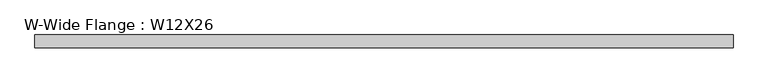
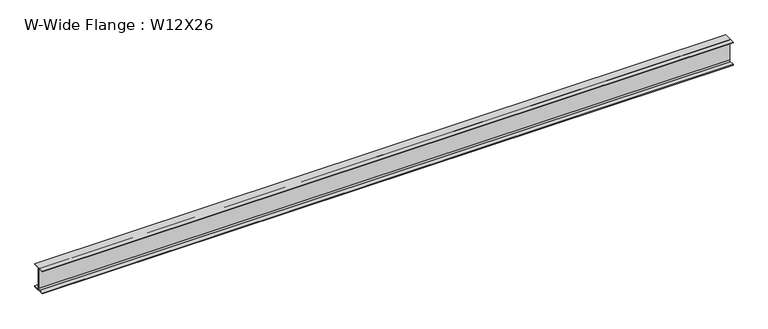
"""IFC4 building model written with IfcOpenShell, lengths in millimetres: beam geometry, W-Wide Flange : W12X26."""

from ifc_helpers import new_model, si_unit, point, frame, frame_2d, origin, place, context, project, spatial, polyline, circle_curve, trimmed, segment, composite_curve, outline, extrude, source, transform, mapped, element, save


def w_wide_flange_w12x26_b47f01a9(model_context):
    return source(origin(), model_context, "Body", "SweptSolid", [
        extrude(outline(composite_curve([segment(polyline([(82.4011719, -145.5539063), (82.4011719, -155.178125), (-82.4011719, -155.178125), (-82.4011719, -145.5539063), (-20.2902344, -145.5539063)]), True, "CONTINUOUS"), segment(trimmed(circle_curve(frame_2d((-20.2902344, -128.190625)), 17.3632812), [point((-20.2902344, -145.5539063))], [point((-2.9269531, -128.190625))], True, "CARTESIAN"), True, "CONTINUOUS"), segment(polyline([(-2.9269531, -128.190625), (-2.9269531, 128.190625)]), True, "CONTINUOUS"), segment(trimmed(circle_curve(frame_2d((-20.2902344, 128.190625)), 17.3632812), [point((-2.9269531, 128.190625))], [point((-20.2902344, 145.5539062))], True, "CARTESIAN"), True, "CONTINUOUS"), segment(polyline([(-20.2902344, 145.5539062), (-82.4011719, 145.5539062), (-82.4011719, 155.178125), (82.4011719, 155.178125), (82.4011719, 145.5539062), (20.2902344, 145.5539062)]), True, "CONTINUOUS"), segment(trimmed(circle_curve(frame_2d((20.2902344, 128.190625)), 17.3632812), [point((20.2902344, 145.5539062))], [point((2.9269531, 128.190625))], True, "CARTESIAN"), True, "CONTINUOUS"), segment(polyline([(2.9269531, 128.190625), (2.9269531, -128.190625)]), True, "CONTINUOUS"), segment(trimmed(circle_curve(frame_2d((20.2902344, -128.190625)), 17.3632812), [point((2.9269531, -128.190625))], [point((20.2902344, -145.5539063))], True, "CARTESIAN"), True, "CONTINUOUS"), segment(polyline([(20.2902344, -145.5539063), (82.4011719, -145.5539063)]), True, "CONTINUOUS")], self_intersect=False)), frame((-4429.7699219, 0.0, 0.0), z_axis=(1.0, 0.0, 0.0), x_axis=(0.0, 1.0, 0.0)), (0.0, 0.0, 1.0), 8859.5398438),
    ])


if __name__ == "__main__":
    model = new_model("IFC4")
    model_context = context("Model", 3, world=origin())
    ifc_project = project(units=[si_unit("LENGTHUNIT", "METRE", prefix="MILLI")], contexts=[model_context])
    site = spatial("IfcSite", under=ifc_project)
    building = spatial("IfcBuilding", under=site)
    placement = place(None, origin())
    w_wide_flange_w12x26_shape = w_wide_flange_w12x26_b47f01a9(model_context)
    element("IfcBeam", 1, ObjectType="W-Wide Flange : W12X26", at=placement, inside=building, context=model_context, shape_type="MappedRepresentation", body=[
        mapped(w_wide_flange_w12x26_shape, transform((0.0, 0.0, 0.0), x_axis=(1.0, 0.0, 0.0), y_axis=(0.0, 1.0, 0.0), z_axis=(0.0, 0.0, 1.0))),
    ])
    save(model, "model.ifc")
